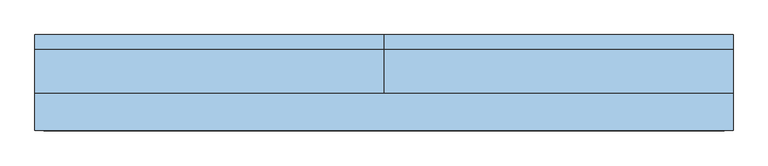
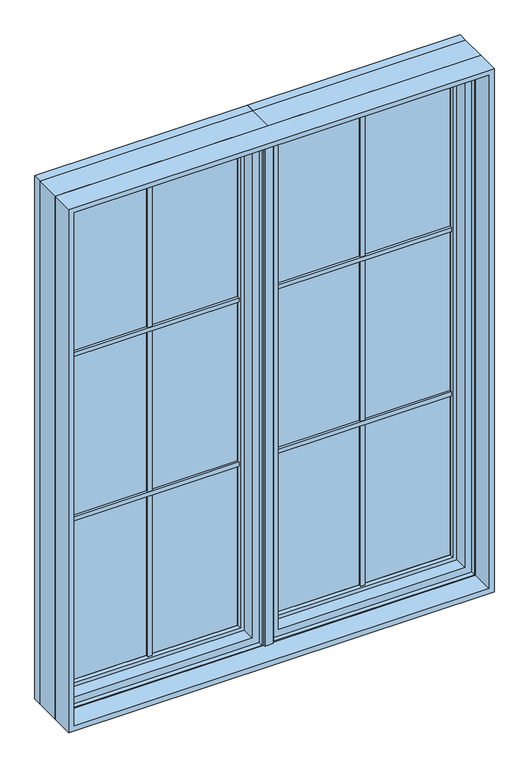
"""IFC4 building model written with IfcOpenShell, lengths in millimetres: window geometry."""

from ifc_helpers import new_model, si_unit, frame, origin, place, context, project, spatial, polyline, outline, extrude, faceted_brep, source, transform, mapped, element, save


def window_a21b2ce5(model_context):
    return source(origin(), model_context, "Body", "SolidModel", [
        extrude(outline(polyline([(-14.684375, -6.1515625), (14.684375, -6.1515625), (14.684375, -12.5015625), (-14.684375, -12.5015625), (-14.684375, -6.1515625)])), frame((0.0, 0.0, 933.45), z_axis=(0.0, 0.0, 1.0), x_axis=(1.0, 0.0, 0.0)), (0.0, 0.0, 1.0), 1943.1),
        extrude(outline(polyline([(708.421875, 74.215625), (708.421875, 66.278125), (53.578125, 66.278125), (53.578125, 74.215625), (708.421875, 74.215625)])), frame((0.0, 0.0, 2206.5588542), z_axis=(0.0, 0.0, 1.0), x_axis=(1.0, 0.0, 0.0)), (0.0, 0.0, 1.0), 15.875),
        extrude(outline(polyline([(708.421875, 99.615625), (708.421875, 91.678125), (53.578125, 91.678125), (53.578125, 99.615625), (708.421875, 99.615625)])), frame((0.0, 0.0, 2206.5588542), z_axis=(0.0, 0.0, 1.0), x_axis=(1.0, 0.0, 0.0)), (0.0, 0.0, 1.0), 15.875),
        extrude(outline(polyline([(708.421875, 88.503125), (708.421875, 77.390625), (53.578125, 77.390625), (53.578125, 88.503125), (708.421875, 88.503125)])), frame((0.0, 0.0, 2211.3213542), z_axis=(0.0, 0.0, 1.0), x_axis=(1.0, 0.0, 0.0)), (0.0, 0.0, 1.0), 6.35),
        extrude(outline(polyline([(708.421875, 74.215625), (708.421875, 66.278125), (53.578125, 66.278125), (53.578125, 74.215625), (708.421875, 74.215625)])), frame((0.0, 0.0, 1584.3911458), z_axis=(0.0, 0.0, 1.0), x_axis=(1.0, 0.0, 0.0)), (0.0, 0.0, 1.0), 15.875),
        extrude(outline(polyline([(708.421875, 99.615625), (708.421875, 91.678125), (53.578125, 91.678125), (53.578125, 99.615625), (708.421875, 99.615625)])), frame((0.0, 0.0, 1584.3911458), z_axis=(0.0, 0.0, 1.0), x_axis=(1.0, 0.0, 0.0)), (0.0, 0.0, 1.0), 15.875),
        extrude(outline(polyline([(708.421875, 88.503125), (708.421875, 77.390625), (53.578125, 77.390625), (53.578125, 88.503125), (708.421875, 88.503125)])), frame((0.0, 0.0, 1589.1536458), z_axis=(0.0, 0.0, 1.0), x_axis=(1.0, 0.0, 0.0)), (0.0, 0.0, 1.0), 6.35),
        extrude(outline(polyline([(384.175, 77.390625), (377.825, 77.390625), (377.825, 88.503125), (384.175, 88.503125), (384.175, 77.390625)])), frame((0.0, 0.0, 967.978125), z_axis=(0.0, 0.0, 1.0), x_axis=(1.0, 0.0, 0.0)), (0.0, 0.0, 1.0), 1874.04375),
        extrude(outline(polyline([(388.9375, 66.278125), (373.0625, 66.278125), (373.0625, 74.215625), (388.9375, 74.215625), (388.9375, 66.278125)])), frame((0.0, 0.0, 967.978125), z_axis=(0.0, 0.0, 1.0), x_axis=(1.0, 0.0, 0.0)), (0.0, 0.0, 1.0), 1874.04375),
        extrude(outline(polyline([(388.9375, 91.678125), (373.0625, 91.678125), (373.0625, 99.615625), (388.9375, 99.615625), (388.9375, 91.678125)])), frame((0.0, 0.0, 967.978125), z_axis=(0.0, 0.0, 1.0), x_axis=(1.0, 0.0, 0.0)), (0.0, 0.0, 1.0), 1874.04375),
        extrude(outline(polyline([(708.421875, 74.215625), (53.578125, 74.215625), (53.578125, 91.678125), (708.421875, 91.678125), (708.421875, 74.215625)])), frame((0.0, 0.0, 967.978125), z_axis=(0.0, 0.0, 1.0), x_axis=(1.0, 0.0, 0.0)), (0.0, 0.0, 1.0), 1874.04375),
        faceted_brep([(742.3404, 66.7563278, 934.0596), (742.3404, 66.7563278, 2875.9404), (742.3404, 88.3046875, 2875.9404), (742.3404, 88.3046875, 934.0596), (714.377183, 10.9227338, 2847.977183), (714.377183, 59.7093984, 2847.977183), (714.377183, 59.7093984, 962.025), (714.377183, 10.9227338, 962.025), (762.0, 88.3046875, 914.4), (762.0, 88.3046875, 2895.6), (762.0, -6.1515625, 2895.6), (762.0, -6.1515625, 914.4), (19.6596, 66.7563278, 2875.9404), (19.6596, 88.3046875, 2875.9404), (47.622817, 10.9227338, 2847.977183), (47.622817, 59.7093984, 2847.977183), (0.0, 88.3046875, 2895.6), (0.0, -6.1515625, 2895.6), (735.8634, 59.7093984, 940.5366), (735.8634, 59.7093984, 2869.4634), (735.8634, 66.7563278, 2869.4634), (735.8634, 66.7563278, 940.5366), (26.1366, 59.7093984, 2869.4634), (26.1366, 66.7563278, 2869.4634), (22.2238888, -6.1515625, 2873.3761112), (22.2238888, 10.9227338, 2873.3761112), (739.7761112, 10.9227338, 2873.3761112), (739.7761112, -6.1515625, 2873.3761112), (739.7761112, 10.9227338, 936.6238888), (739.7761112, -6.1515625, 936.6238888), (0.0, -6.1515625, 914.4), (0.0, 88.3046875, 914.4), (19.6596, 88.3046875, 934.0596), (19.6596, 66.7563278, 934.0596), (26.1366, 66.7563278, 940.5366), (26.1366, 59.7093984, 940.5366), (47.622817, 59.7093984, 962.025), (47.622817, 10.9227338, 962.025), (22.2238888, 10.9227338, 936.6238888), (22.2238888, -6.1515625, 936.6238888)], [[[0, 1, 2, 3]], [[4, 5, 6, 7]], [[8, 9, 10, 11]], [[2, 1, 12, 13]], [[5, 4, 14, 15]], [[10, 9, 16, 17]], [[18, 19, 20, 21]], [[20, 19, 22, 23]], [[24, 25, 26, 27]], [[27, 26, 28, 29]], [[8, 11, 30, 31]], [[8, 31, 16, 9], [13, 32, 3, 2]], [[13, 12, 33, 32]], [[12, 1, 0, 33], [23, 34, 21, 20]], [[23, 22, 35, 34]], [[22, 19, 18, 35], [5, 15, 36, 6]], [[15, 14, 37, 36]], [[26, 25, 38, 28], [14, 4, 7, 37]], [[38, 25, 24, 39]], [[30, 11, 10, 17], [27, 29, 39, 24]], [[16, 31, 30, 17]], [[3, 32, 33, 0]], [[21, 34, 35, 18]], [[6, 36, 37, 7]], [[28, 38, 39, 29]]]),
        extrude(outline(polyline([(2868.7033048, 735.1033048), (2868.7033048, 26.8966952), (941.2966952, 26.8966952), (941.2966952, 735.1033048), (2868.7033048, 735.1033048)]), holes=[polyline([(978.0984375, 698.3015625), (978.0984375, 63.6984375), (2831.9015625, 63.6984375), (2831.9015625, 698.3015625), (978.0984375, 698.3015625)])]), frame((0.0, 92.7894782, 0.0), z_axis=(0.0, 1.0, 0.0), x_axis=(0.0, 0.0, 1.0)), (0.0, 0.0, 1.0), 14.1988723),
        faceted_brep([(729.0341084, 91.5395729, 2862.6341084), (729.0341084, 59.9499024, 2862.6341084), (729.0341084, 59.9499024, 947.3658916), (729.0341084, 91.5395729, 947.3658916), (708.421875, 74.215625, 2842.021875), (708.421875, 91.5395729, 2842.021875), (708.421875, 91.5395729, 967.978125), (708.421875, 74.215625, 967.978125), (32.9658916, 59.9499024, 947.3658916), (32.9658916, 91.5395729, 947.3658916), (53.578125, 91.5395729, 967.978125), (53.578125, 74.215625, 967.978125), (32.9658916, 59.9499024, 2862.6341084), (32.9658916, 91.5395729, 2862.6341084), (53.578125, 91.5395729, 2842.021875), (53.578125, 74.215625, 2842.021875), (698.3015625, 74.215625, 2831.9015625), (63.6984375, 74.215625, 2831.9015625), (63.6984375, 74.215625, 978.0984375), (698.3015625, 74.215625, 978.0984375), (701.0498111, 59.9499024, 975.3501889), (60.9501889, 59.9499024, 975.3501889), (60.9501889, 59.9499024, 2834.6498111), (701.0498111, 59.9499024, 2834.6498111), (698.3015625, 72.8793953, 2831.9015625), (698.3015625, 72.8793953, 978.0984375), (63.6984375, 72.8793953, 978.0984375), (63.6984375, 72.8793953, 2831.9015625)], [[[0, 1, 2, 3]], [[4, 5, 6, 7]], [[3, 2, 8, 9]], [[7, 6, 10, 11]], [[9, 8, 12, 13]], [[11, 10, 14, 15]], [[13, 12, 1, 0]], [[3, 9, 13, 0], [5, 14, 10, 6]], [[15, 14, 5, 4]], [[7, 11, 15, 4], [16, 17, 18, 19]], [[1, 12, 8, 2], [20, 21, 22, 23]], [[24, 16, 19, 25]], [[25, 19, 18, 26]], [[26, 18, 17, 27]], [[27, 17, 16, 24]], [[23, 24, 25, 20]], [[20, 25, 26, 21]], [[21, 26, 27, 22]], [[22, 27, 24, 23]]]),
        faceted_brep([(747.4220166, 119.2736375, 2881.0220166), (752.755345, 120.8484375, 2886.355345), (752.755345, 120.8484375, 923.644655), (747.4220166, 119.2736375, 928.9779834), (742.5526868, 104.4927591, 2876.1526868), (742.5526868, 119.2736375, 2876.1526868), (742.5526868, 119.2736375, 933.8473132), (742.5526868, 104.4927591, 933.8473132), (762.0, 120.8484375, 2895.6), (762.0, 88.3046875, 2895.6), (762.0, 88.3046875, 914.4), (762.0, 120.8484375, 914.4), (9.244655, 120.8484375, 923.644655), (14.5779834, 119.2736375, 928.9779834), (19.4473132, 119.2736375, 933.8473132), (19.4473132, 104.4927591, 933.8473132), (0.0, 88.3046875, 914.4), (0.0, 120.8484375, 914.4), (9.244655, 120.8484375, 2886.355345), (14.5779834, 119.2736375, 2881.0220166), (19.4473132, 119.2736375, 2876.1526868), (19.4473132, 104.4927591, 2876.1526868), (0.0, 88.3046875, 2895.6), (0.0, 120.8484375, 2895.6), (741.3244, 88.3046875, 935.0756), (20.6756, 88.3046875, 935.0756), (20.6756, 88.3046875, 2874.9244), (741.3244, 88.3046875, 2874.9244), (741.3244, 90.3195591, 2874.9244), (741.3244, 90.3195591, 935.0756), (20.6756, 90.3195591, 935.0756), (20.6756, 90.3195591, 2874.9244)], [[[0, 1, 2, 3]], [[4, 5, 6, 7]], [[8, 9, 10, 11]], [[3, 2, 12, 13]], [[7, 6, 14, 15]], [[11, 10, 16, 17]], [[13, 12, 18, 19]], [[15, 14, 20, 21]], [[17, 16, 22, 23]], [[11, 17, 23, 8], [1, 18, 12, 2]], [[19, 18, 1, 0]], [[3, 13, 19, 0], [5, 20, 14, 6]], [[21, 20, 5, 4]], [[9, 22, 16, 10], [24, 25, 26, 27]], [[23, 22, 9, 8]], [[28, 4, 7, 29]], [[27, 28, 29, 24]], [[29, 7, 15, 30]], [[24, 29, 30, 25]], [[30, 15, 21, 31]], [[25, 30, 31, 26]], [[31, 21, 4, 28]], [[26, 31, 28, 27]]]),
        extrude(outline(polyline([(-53.578125, 74.215625), (-53.578125, 66.278125), (-708.421875, 66.278125), (-708.421875, 74.215625), (-53.578125, 74.215625)])), frame((0.0, 0.0, 2206.5588542), z_axis=(0.0, 0.0, 1.0), x_axis=(1.0, 0.0, 0.0)), (0.0, 0.0, 1.0), 15.875),
        extrude(outline(polyline([(-53.578125, 99.615625), (-53.578125, 91.678125), (-708.421875, 91.678125), (-708.421875, 99.615625), (-53.578125, 99.615625)])), frame((0.0, 0.0, 2206.5588542), z_axis=(0.0, 0.0, 1.0), x_axis=(1.0, 0.0, 0.0)), (0.0, 0.0, 1.0), 15.875),
        extrude(outline(polyline([(-53.578125, 88.503125), (-53.578125, 77.390625), (-708.421875, 77.390625), (-708.421875, 88.503125), (-53.578125, 88.503125)])), frame((0.0, 0.0, 2211.3213542), z_axis=(0.0, 0.0, 1.0), x_axis=(1.0, 0.0, 0.0)), (0.0, 0.0, 1.0), 6.35),
        extrude(outline(polyline([(-53.578125, 74.215625), (-53.578125, 66.278125), (-708.421875, 66.278125), (-708.421875, 74.215625), (-53.578125, 74.215625)])), frame((0.0, 0.0, 1584.3911458), z_axis=(0.0, 0.0, 1.0), x_axis=(1.0, 0.0, 0.0)), (0.0, 0.0, 1.0), 15.875),
        extrude(outline(polyline([(-53.578125, 99.615625), (-53.578125, 91.678125), (-708.421875, 91.678125), (-708.421875, 99.615625), (-53.578125, 99.615625)])), frame((0.0, 0.0, 1584.3911458), z_axis=(0.0, 0.0, 1.0), x_axis=(1.0, 0.0, 0.0)), (0.0, 0.0, 1.0), 15.875),
        extrude(outline(polyline([(-53.578125, 88.503125), (-53.578125, 77.390625), (-708.421875, 77.390625), (-708.421875, 88.503125), (-53.578125, 88.503125)])), frame((0.0, 0.0, 1589.1536458), z_axis=(0.0, 0.0, 1.0), x_axis=(1.0, 0.0, 0.0)), (0.0, 0.0, 1.0), 6.35),
        extrude(outline(polyline([(-377.825, 77.390625), (-384.175, 77.390625), (-384.175, 88.503125), (-377.825, 88.503125), (-377.825, 77.390625)])), frame((0.0, 0.0, 967.978125), z_axis=(0.0, 0.0, 1.0), x_axis=(1.0, 0.0, 0.0)), (0.0, 0.0, 1.0), 1874.04375),
        extrude(outline(polyline([(-373.0625, 66.278125), (-388.9375, 66.278125), (-388.9375, 74.215625), (-373.0625, 74.215625), (-373.0625, 66.278125)])), frame((0.0, 0.0, 967.978125), z_axis=(0.0, 0.0, 1.0), x_axis=(1.0, 0.0, 0.0)), (0.0, 0.0, 1.0), 1874.04375),
        extrude(outline(polyline([(-373.0625, 91.678125), (-388.9375, 91.678125), (-388.9375, 99.615625), (-373.0625, 99.615625), (-373.0625, 91.678125)])), frame((0.0, 0.0, 967.978125), z_axis=(0.0, 0.0, 1.0), x_axis=(1.0, 0.0, 0.0)), (0.0, 0.0, 1.0), 1874.04375),
        extrude(outline(polyline([(-53.578125, 74.215625), (-708.421875, 74.215625), (-708.421875, 91.678125), (-53.578125, 91.678125), (-53.578125, 74.215625)])), frame((0.0, 0.0, 967.978125), z_axis=(0.0, 0.0, 1.0), x_axis=(1.0, 0.0, 0.0)), (0.0, 0.0, 1.0), 1874.04375),
        faceted_brep([(-19.6596, 66.7563278, 934.0596), (-19.6596, 66.7563278, 2875.9404), (-19.6596, 88.3046875, 2875.9404), (-19.6596, 88.3046875, 934.0596), (-47.622817, 10.9227338, 2847.977183), (-47.622817, 59.7093984, 2847.977183), (-47.622817, 59.7093984, 962.025), (-47.622817, 10.9227338, 962.025), (0.0, 88.3046875, 914.4), (0.0, 88.3046875, 2895.6), (0.0, -6.1515625, 2895.6), (0.0, -6.1515625, 914.4), (-742.3404, 66.7563278, 2875.9404), (-742.3404, 88.3046875, 2875.9404), (-714.377183, 10.9227338, 2847.977183), (-714.377183, 59.7093984, 2847.977183), (-762.0, 88.3046875, 2895.6), (-762.0, -6.1515625, 2895.6), (-26.1366, 59.7093984, 940.5366), (-26.1366, 59.7093984, 2869.4634), (-26.1366, 66.7563278, 2869.4634), (-26.1366, 66.7563278, 940.5366), (-735.8634, 59.7093984, 2869.4634), (-735.8634, 66.7563278, 2869.4634), (-739.7761112, -6.1515625, 2873.3761112), (-739.7761112, 10.9227338, 2873.3761112), (-22.2238888, 10.9227338, 2873.3761112), (-22.2238888, -6.1515625, 2873.3761112), (-22.2238888, 10.9227338, 936.6238888), (-22.2238888, -6.1515625, 936.6238888), (-762.0, -6.1515625, 914.4), (-762.0, 88.3046875, 914.4), (-742.3404, 88.3046875, 934.0596), (-742.3404, 66.7563278, 934.0596), (-735.8634, 66.7563278, 940.5366), (-735.8634, 59.7093984, 940.5366), (-714.377183, 59.7093984, 962.025), (-714.377183, 10.9227338, 962.025), (-739.7761112, 10.9227338, 936.6238888), (-739.7761112, -6.1515625, 936.6238888)], [[[0, 1, 2, 3]], [[4, 5, 6, 7]], [[8, 9, 10, 11]], [[2, 1, 12, 13]], [[5, 4, 14, 15]], [[10, 9, 16, 17]], [[18, 19, 20, 21]], [[20, 19, 22, 23]], [[24, 25, 26, 27]], [[27, 26, 28, 29]], [[8, 11, 30, 31]], [[8, 31, 16, 9], [13, 32, 3, 2]], [[13, 12, 33, 32]], [[12, 1, 0, 33], [23, 34, 21, 20]], [[23, 22, 35, 34]], [[22, 19, 18, 35], [5, 15, 36, 6]], [[15, 14, 37, 36]], [[26, 25, 38, 28], [14, 4, 7, 37]], [[38, 25, 24, 39]], [[30, 11, 10, 17], [27, 29, 39, 24]], [[16, 31, 30, 17]], [[3, 32, 33, 0]], [[21, 34, 35, 18]], [[6, 36, 37, 7]], [[28, 38, 39, 29]]]),
        extrude(outline(polyline([(2868.7033048, -26.8966952), (2868.7033048, -735.1033048), (941.2966952, -735.1033048), (941.2966952, -26.8966952), (2868.7033048, -26.8966952)]), holes=[polyline([(978.0984375, -63.6984375), (978.0984375, -698.3015625), (2831.9015625, -698.3015625), (2831.9015625, -63.6984375), (978.0984375, -63.6984375)])]), frame((0.0, 92.7894782, 0.0), z_axis=(0.0, 1.0, 0.0), x_axis=(0.0, 0.0, 1.0)), (0.0, 0.0, 1.0), 14.1988723),
        faceted_brep([(-32.9658916, 91.5395729, 2862.6341084), (-32.9658916, 59.9499024, 2862.6341084), (-32.9658916, 59.9499024, 947.3658916), (-32.9658916, 91.5395729, 947.3658916), (-53.578125, 74.215625, 2842.021875), (-53.578125, 91.5395729, 2842.021875), (-53.578125, 91.5395729, 967.978125), (-53.578125, 74.215625, 967.978125), (-729.0341084, 59.9499024, 947.3658916), (-729.0341084, 91.5395729, 947.3658916), (-708.421875, 91.5395729, 967.978125), (-708.421875, 74.215625, 967.978125), (-729.0341084, 59.9499024, 2862.6341084), (-729.0341084, 91.5395729, 2862.6341084), (-708.421875, 91.5395729, 2842.021875), (-708.421875, 74.215625, 2842.021875), (-63.6984375, 74.215625, 2831.9015625), (-698.3015625, 74.215625, 2831.9015625), (-698.3015625, 74.215625, 978.0984375), (-63.6984375, 74.215625, 978.0984375), (-60.9501889, 59.9499024, 975.3501889), (-701.0498111, 59.9499024, 975.3501889), (-701.0498111, 59.9499024, 2834.6498111), (-60.9501889, 59.9499024, 2834.6498111), (-63.6984375, 72.8793953, 2831.9015625), (-63.6984375, 72.8793953, 978.0984375), (-698.3015625, 72.8793953, 978.0984375), (-698.3015625, 72.8793953, 2831.9015625)], [[[0, 1, 2, 3]], [[4, 5, 6, 7]], [[3, 2, 8, 9]], [[7, 6, 10, 11]], [[9, 8, 12, 13]], [[11, 10, 14, 15]], [[13, 12, 1, 0]], [[3, 9, 13, 0], [5, 14, 10, 6]], [[15, 14, 5, 4]], [[7, 11, 15, 4], [16, 17, 18, 19]], [[1, 12, 8, 2], [20, 21, 22, 23]], [[24, 16, 19, 25]], [[25, 19, 18, 26]], [[26, 18, 17, 27]], [[27, 17, 16, 24]], [[23, 24, 25, 20]], [[20, 25, 26, 21]], [[21, 26, 27, 22]], [[22, 27, 24, 23]]]),
        faceted_brep([(-14.5779834, 119.2736375, 2881.0220166), (-9.244655, 120.8484375, 2886.355345), (-9.244655, 120.8484375, 923.644655), (-14.5779834, 119.2736375, 928.9779834), (-19.4473132, 104.4927591, 2876.1526868), (-19.4473132, 119.2736375, 2876.1526868), (-19.4473132, 119.2736375, 933.8473132), (-19.4473132, 104.4927591, 933.8473132), (0.0, 120.8484375, 2895.6), (0.0, 88.3046875, 2895.6), (0.0, 88.3046875, 914.4), (0.0, 120.8484375, 914.4), (-752.755345, 120.8484375, 923.644655), (-747.4220166, 119.2736375, 928.9779834), (-742.5526868, 119.2736375, 933.8473132), (-742.5526868, 104.4927591, 933.8473132), (-762.0, 88.3046875, 914.4), (-762.0, 120.8484375, 914.4), (-752.755345, 120.8484375, 2886.355345), (-747.4220166, 119.2736375, 2881.0220166), (-742.5526868, 119.2736375, 2876.1526868), (-742.5526868, 104.4927591, 2876.1526868), (-762.0, 88.3046875, 2895.6), (-762.0, 120.8484375, 2895.6), (-20.6756, 88.3046875, 935.0756), (-741.3244, 88.3046875, 935.0756), (-741.3244, 88.3046875, 2874.9244), (-20.6756, 88.3046875, 2874.9244), (-20.6756, 90.3195591, 2874.9244), (-20.6756, 90.3195591, 935.0756), (-741.3244, 90.3195591, 935.0756), (-741.3244, 90.3195591, 2874.9244)], [[[0, 1, 2, 3]], [[4, 5, 6, 7]], [[8, 9, 10, 11]], [[3, 2, 12, 13]], [[7, 6, 14, 15]], [[11, 10, 16, 17]], [[13, 12, 18, 19]], [[15, 14, 20, 21]], [[17, 16, 22, 23]], [[11, 17, 23, 8], [1, 18, 12, 2]], [[19, 18, 1, 0]], [[3, 13, 19, 0], [5, 20, 14, 6]], [[21, 20, 5, 4]], [[9, 22, 16, 10], [24, 25, 26, 27]], [[23, 22, 9, 8]], [[28, 4, 7, 29]], [[27, 28, 29, 24]], [[29, 7, 15, 30]], [[24, 29, 30, 25]], [[30, 15, 21, 31]], [[25, 30, 31, 26]], [[31, 21, 4, 28]], [[26, 31, 28, 27]]]),
        extrude(outline(polyline([(914.4, -762.0), (914.4, 762.0), (2895.6, 762.0), (2895.6, -762.0), (914.4, -762.0)]), holes=[polyline([(2876.55, -742.95), (2876.55, 742.95), (933.45, 742.95), (933.45, -742.95), (2876.55, -742.95)])]), frame((0.0, -88.9, 0.0), z_axis=(0.0, 1.0, 0.0), x_axis=(0.0, 0.0, 1.0)), (0.0, 0.0, 1.0), 82.7484375),
    ])


if __name__ == "__main__":
    model = new_model("IFC4")
    model_context = context("Model", 3, world=origin())
    ifc_project = project(units=[si_unit("LENGTHUNIT", "METRE", prefix="MILLI")], contexts=[model_context])
    site = spatial("IfcSite", under=ifc_project)
    building = spatial("IfcBuilding", under=site)
    placement = place(None, origin())
    window_shape = window_a21b2ce5(model_context)
    element("IfcWindow", 1, at=placement, inside=building, context=model_context, shape_type="MappedRepresentation", body=[
        mapped(window_shape, transform((0.0, 0.0, 0.0), x_axis=(1.0, 0.0, 0.0), y_axis=(0.0, 1.0, 0.0), z_axis=(0.0, 0.0, 1.0))),
    ])
    save(model, "model.ifc")
